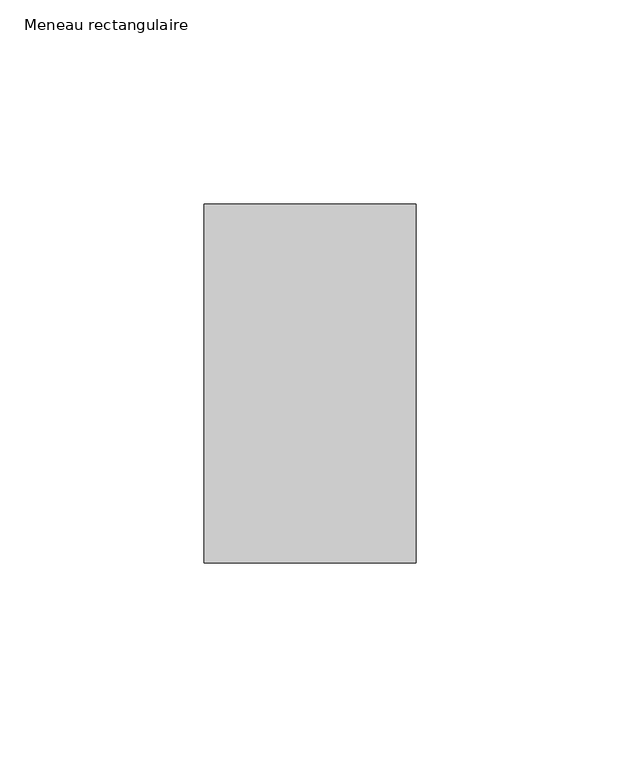
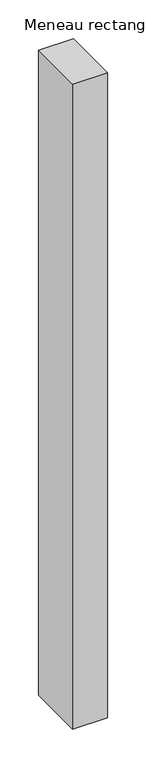
"""IFC4 building model written with IfcOpenShell, lengths in millimetres: member geometry, Meneau rectangulaire."""

from ifc_helpers import new_model, si_unit, frame, origin, place, context, project, spatial, polyline, outline, extrude, source, transform, mapped, element, save


def meneau_rectangulaire_bc337774(model_context):
    return source(origin(), model_context, "Body", "SweptSolid", [
        extrude(outline(polyline([(-52.0, 44.0), (0.0, 44.0), (0.0, -44.0), (-52.0, -44.0), (-52.0, 44.0)])), frame((0.0, 0.0, -1018.2164019), z_axis=(0.0, 0.0, 1.0), x_axis=(1.0, 0.0, 0.0)), (0.0, 0.0, 1.0), 1018.2164019),
    ])


if __name__ == "__main__":
    model = new_model("IFC4")
    model_context = context("Model", 3, world=origin())
    ifc_project = project(units=[si_unit("LENGTHUNIT", "METRE", prefix="MILLI")], contexts=[model_context])
    site = spatial("IfcSite", under=ifc_project)
    building = spatial("IfcBuilding", under=site)
    placement = place(None, origin())
    meneau_rectangulaire_shape = meneau_rectangulaire_bc337774(model_context)
    element("IfcMember", 1, ObjectType="Meneau rectangulaire", at=placement, inside=building, context=model_context, shape_type="MappedRepresentation", body=[
        mapped(meneau_rectangulaire_shape, transform((0.0, 0.0, 0.0), x_axis=(1.0, 0.0, 0.0), y_axis=(0.0, 1.0, 0.0), z_axis=(0.0, 0.0, 1.0))),
    ])
    save(model, "model.ifc")
